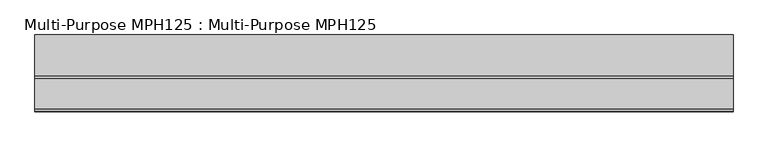
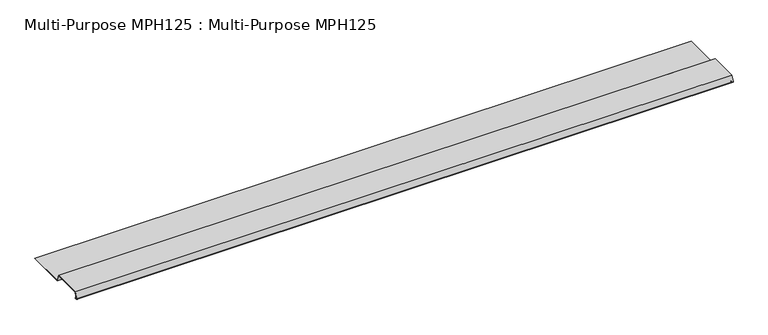
"""IFC4 building model written with IfcOpenShell, lengths in millimetres: proxy geometry, Multi-Purpose MPH125 : Multi-Purpose MPH125."""

from ifc_helpers import new_model, si_unit, point, frame, frame_2d, origin, place, context, project, spatial, polyline, circle_curve, trimmed, segment, composite_curve, outline, extrude, source, transform, mapped, element, save


def multi_purpose_mph125_multi_purpose_mph125_a78eed55(model_context):
    return source(origin(), model_context, "Body", "SweptSolid", [
        extrude(outline(composite_curve([segment(polyline([(-211.7573826, 2.7480845), (-212.2916972, 2.1355882), (-213.1728017, 2.9042247)]), True, "CONTINUOUS"), segment(trimmed(circle_curve(frame_2d((-214.4710192, 1.41605)), 1.97485), [point((-213.1728017, 2.9042247))], [point((-215.5607743, 3.0630066))], True, "CARTESIAN"), True, "CONTINUOUS"), segment(polyline([(-215.5607743, 3.0630066), (-218.3640057, 1.2081698)]), True, "CONTINUOUS"), segment(trimmed(circle_curve(frame_2d((-219.6780192, 3.19405)), 2.38125), [point((-218.3640057, 1.2081698))], [point((-221.9156622, 4.0084855))], False, "CARTESIAN"), True, "CONTINUOUS"), segment(polyline([(-221.9156622, 4.0084855), (-211.8185767, 31.75), (-78.4685767, 31.75), (-67.2083567, 0.8128), (113.2207308, 0.8128), (113.2207308, 0.0), (-67.7774854, 0.0), (-79.0377054, 30.9372), (-211.249448, 30.9372), (-221.1518801, 3.7304915)]), True, "CONTINUOUS"), segment(trimmed(circle_curve(frame_2d((-219.6780192, 3.19405)), 1.56845), [point((-221.1518801, 3.7304915))], [point((-218.8125223, 1.8860169))], True, "CARTESIAN"), True, "CONTINUOUS"), segment(polyline([(-218.8125223, 1.8860169), (-216.0092909, 3.7408538)]), True, "CONTINUOUS"), segment(trimmed(circle_curve(frame_2d((-214.4710192, 1.41605)), 2.78765), [point((-216.0092909, 3.7408538))], [point((-212.6384871, 3.516721))], False, "CARTESIAN"), True, "CONTINUOUS"), segment(polyline([(-212.6384871, 3.516721), (-211.7573826, 2.7480845)]), True, "CONTINUOUS")], self_intersect=False)), frame((-1102.2989423, 0.0, 0.0), z_axis=(1.0, 0.0, 0.0), x_axis=(0.0, 1.0, 0.0)), (0.0, 0.0, 1.0), 3048.0),
    ])


if __name__ == "__main__":
    model = new_model("IFC4")
    model_context = context("Model", 3, world=origin())
    ifc_project = project(units=[si_unit("LENGTHUNIT", "METRE", prefix="MILLI")], contexts=[model_context])
    site = spatial("IfcSite", under=ifc_project)
    building = spatial("IfcBuilding", under=site)
    placement = place(None, origin())
    multi_purpose_mph125_multi_purpose_mph125_shape = multi_purpose_mph125_multi_purpose_mph125_a78eed55(model_context)
    element("IfcBuildingElementProxy", 1, Name="Multi-Purpose MPH125 : Multi-Purpose MPH125", ObjectType="Multi-Purpose MPH125 : Multi-Purpose MPH125", at=placement, inside=building, context=model_context, shape_type="MappedRepresentation", body=[
        mapped(multi_purpose_mph125_multi_purpose_mph125_shape, transform((0.0, 0.0, 0.0), x_axis=(1.0, 0.0, 0.0), y_axis=(0.0, 1.0, 0.0), z_axis=(0.0, 0.0, 1.0))),
    ])
    save(model, "model.ifc")
